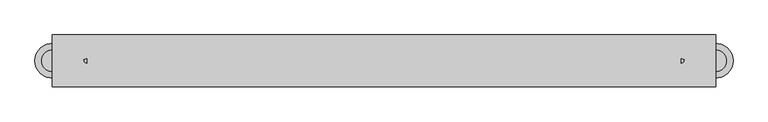
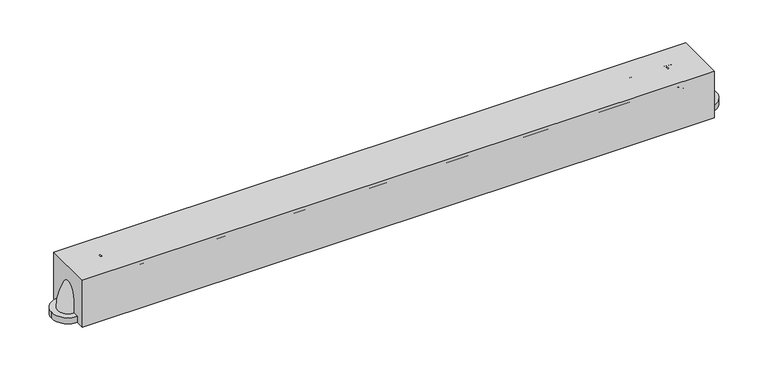
"""IFC4 building model written with IfcOpenShell, lengths in millimetres: proxy geometry."""

from ifc_helpers import new_model, si_unit, point, frame, frame_2d, origin, origin_with_axes, place, context, project, spatial, polyline, circle_curve, ellipse_curve, trimmed, segment, composite_curve, outline, extrude, source, transform, mapped, element, save
from ifc_brep_helpers import plane_surface, revolved_surface, advanced_brep


def specialty_equipment_994b6fb6(model_context):
    return source(origin(), model_context, "Body", "SolidModel", [
        advanced_brep(
        [(437.35625, 15.875, 60.325), (437.35625, -15.875, 60.325), (488.15625, 15.875, 9.525), (488.15625, -15.875, 9.525)],
        [
            (0, 1, circle_curve(frame((437.35625, 0.0, 60.325), z_axis=(-1.0, 0.0, 0.0), x_axis=(0.0, -1.0, 0.0)), 15.875)),
            (1, 0, circle_curve(frame((437.35625, 0.0, 60.325), z_axis=(-1.0, 0.0, 0.0), x_axis=(0.0, -1.0, 0.0)), 15.875)),
            (2, 3, circle_curve(frame((488.15625, 0.0, 9.525), z_axis=(0.0, 0.0, -1.0), x_axis=(0.0, -1.0, 0.0)), 15.875)),
            (3, 2, circle_curve(frame((488.15625, 0.0, 9.525), z_axis=(0.0, 0.0, -1.0), x_axis=(0.0, -1.0, 0.0)), 15.875)),
            (2, 0, circle_curve(frame((437.35625, 15.875, 9.525), z_axis=(0.0, -1.0, 0.0), x_axis=(0.0, 0.0, 1.0)), 50.8)),
            (1, 3, circle_curve(frame((437.35625, -15.875, 9.525), z_axis=(0.0, 1.0, 0.0), x_axis=(0.0, 0.0, 1.0)), 50.8)),
        ],
        [
            plane_surface(frame((437.35625, 0.0, 60.325), z_axis=(-1.0, 0.0, 0.0), x_axis=(0.0, -1.0, 0.0))),
            plane_surface(frame((488.15625, 0.0, 9.525), z_axis=(0.0, 0.0, -1.0), x_axis=(0.0, -1.0, 0.0))),
            revolved_surface(trimmed(ellipse_curve(frame((437.35625, 0.0, 60.325), z_axis=(1.0, 0.0, 0.0), x_axis=(0.0, -1.0, 0.0)), 15.875, 15.875), [point((437.35625, 15.875, 60.325))], [point((437.35625, -15.875, 60.325))], True, "CARTESIAN"), (437.35625, 0.0, 9.525), (0.0, -1.0, 0.0)),
            revolved_surface(trimmed(ellipse_curve(frame((437.35625, 0.0, 60.325), z_axis=(1.0, 0.0, 0.0), x_axis=(0.0, -1.0, 0.0)), 15.875, 15.875), [point((437.35625, -15.875, 60.325))], [point((437.35625, 15.875, 60.325))], True, "CARTESIAN"), (437.35625, 0.0, 9.525), (0.0, -1.0, 0.0)),
        ],
        [
            (0, [[1, 2]]),
            (1, [[3, 4]]),
            (2, [[-3, 5, -2, 6]]),
            (3, [[-4, -6, -1, -5]]),
        ],
    ),
        extrude(outline(composite_curve([segment(trimmed(circle_curve(frame_2d((488.15625, 0.0)), 25.4), [point((513.55625, 0.0))], [point((462.75625, 0.0))], False, "CARTESIAN"), True, "CONTINUOUS"), segment(trimmed(circle_curve(frame_2d((488.15625, 0.0)), 25.4), [point((462.75625, 0.0))], [point((513.55625, 0.0))], False, "CARTESIAN"), True, "CONTINUOUS")], self_intersect=False)), origin_with_axes(), (0.0, 0.0, 1.0), 9.525),
        advanced_brep(
        [(-437.35625, 15.875, 60.325), (-437.35625, -15.875, 60.325), (-488.15625, 15.875, 9.525), (-488.15625, -15.875, 9.525)],
        [
            (0, 1, circle_curve(frame((-437.35625, 0.0, 60.325), z_axis=(1.0, 0.0, 0.0), x_axis=(0.0, -1.0, 0.0)), 15.875)),
            (1, 0, circle_curve(frame((-437.35625, 0.0, 60.325), z_axis=(1.0, 0.0, 0.0), x_axis=(0.0, -1.0, 0.0)), 15.875)),
            (2, 3, circle_curve(frame((-488.15625, 0.0, 9.525), z_axis=(0.0, 0.0, -1.0), x_axis=(0.0, -1.0, 0.0)), 15.875)),
            (3, 2, circle_curve(frame((-488.15625, 0.0, 9.525), z_axis=(0.0, 0.0, -1.0), x_axis=(0.0, -1.0, 0.0)), 15.875)),
            (3, 1, circle_curve(frame((-437.35625, -15.875, 9.525), z_axis=(0.0, 1.0, 0.0), x_axis=(0.0, 0.0, 1.0)), 50.8)),
            (0, 2, circle_curve(frame((-437.35625, 15.875, 9.525), z_axis=(0.0, -1.0, 0.0), x_axis=(0.0, 0.0, 1.0)), 50.8)),
        ],
        [
            plane_surface(frame((-437.35625, 0.0, 60.325), z_axis=(1.0, 0.0, 0.0), x_axis=(0.0, -1.0, 0.0))),
            plane_surface(frame((-488.15625, 0.0, 9.525), z_axis=(0.0, 0.0, -1.0), x_axis=(0.0, -1.0, 0.0))),
            revolved_surface(trimmed(ellipse_curve(frame((-437.35625, 0.0, 60.325), z_axis=(1.0, 0.0, 0.0), x_axis=(0.0, -1.0, 0.0)), 15.875, 15.875), [point((-437.35625, 15.875, 60.325))], [point((-437.35625, -15.875, 60.325))], True, "CARTESIAN"), (-437.35625, 0.0, 9.525), (0.0, -1.0, 0.0)),
            revolved_surface(trimmed(ellipse_curve(frame((-437.35625, 0.0, 60.325), z_axis=(1.0, 0.0, 0.0), x_axis=(0.0, -1.0, 0.0)), 15.875, 15.875), [point((-437.35625, -15.875, 60.325))], [point((-437.35625, 15.875, 60.325))], True, "CARTESIAN"), (-437.35625, 0.0, 9.525), (0.0, -1.0, 0.0)),
        ],
        [
            (0, [[1, 2]]),
            (1, [[3, 4]]),
            (2, [[5, -1, 6, -4]]),
            (3, [[-6, -2, -5, -3]]),
        ],
    ),
        extrude(outline(composite_curve([segment(trimmed(circle_curve(frame_2d((-488.15625, 0.0)), 25.4), [point((-513.55625, 0.0))], [point((-462.75625, 0.0))], False, "CARTESIAN"), True, "CONTINUOUS"), segment(trimmed(circle_curve(frame_2d((-488.15625, 0.0)), 25.4), [point((-462.75625, 0.0))], [point((-513.55625, 0.0))], False, "CARTESIAN"), True, "CONTINUOUS")], self_intersect=False)), origin_with_axes(), (0.0, 0.0, 1.0), 9.525),
        extrude(outline(polyline([(488.15625, -38.1), (-488.15625, -38.1), (-488.15625, 38.1), (488.15625, 38.1), (488.15625, -38.1)])), origin_with_axes(), (0.0, 0.0, 1.0), 76.2),
        extrude(outline(composite_curve([segment(trimmed(circle_curve(frame_2d((0.0, 60.325)), 15.875), [point((-15.875, 60.325))], [point((15.875, 60.325))], False, "CARTESIAN"), True, "CONTINUOUS"), segment(trimmed(circle_curve(frame_2d((0.0, 60.325)), 15.875), [point((15.875, 60.325))], [point((-15.875, 60.325))], False, "CARTESIAN"), True, "CONTINUOUS")], self_intersect=False)), frame((-437.35625, 0.0, 0.0), z_axis=(1.0, 0.0, 0.0), x_axis=(0.0, 1.0, 0.0)), (0.0, 0.0, 1.0), 874.7125),
    ])


if __name__ == "__main__":
    model = new_model("IFC4")
    model_context = context("Model", 3, world=origin())
    ifc_project = project(units=[si_unit("LENGTHUNIT", "METRE", prefix="MILLI")], contexts=[model_context])
    site = spatial("IfcSite", under=ifc_project)
    building = spatial("IfcBuilding", under=site)
    placement = place(None, origin())
    specialty_equipment_shape = specialty_equipment_994b6fb6(model_context)
    element("IfcBuildingElementProxy", 1, Name="Specialty Equipment", at=placement, inside=building, context=model_context, shape_type="MappedRepresentation", body=[
        mapped(specialty_equipment_shape, transform((0.0, 0.0, 0.0), x_axis=(1.0, 0.0, 0.0), y_axis=(0.0, 1.0, 0.0), z_axis=(0.0, 0.0, 1.0))),
    ])
    save(model, "model.ifc")
